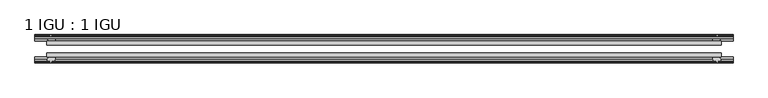
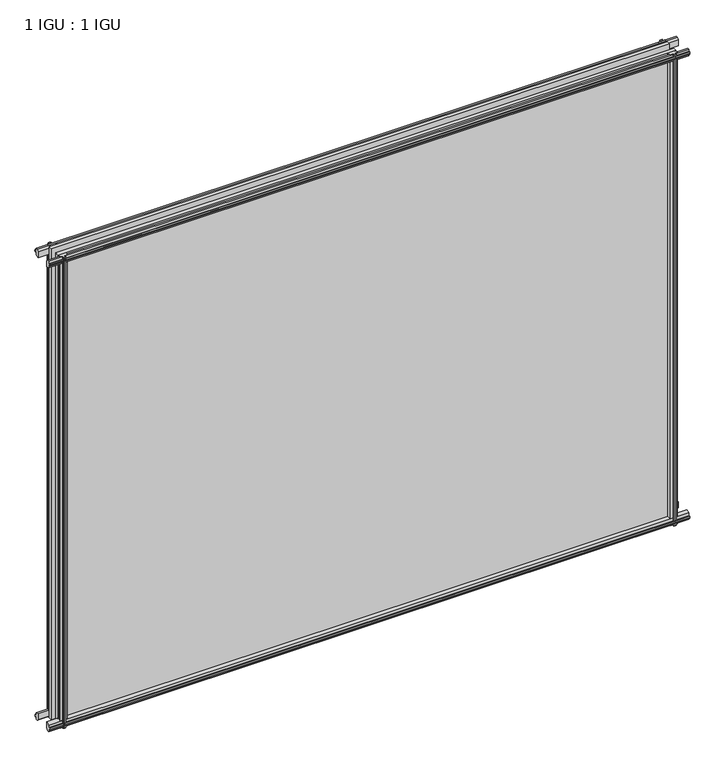
"""IFC4 building model written with IfcOpenShell, lengths in millimetres: plate geometry, 1 IGU : 1 IGU."""

from ifc_helpers import new_model, si_unit, frame, origin, place, context, project, spatial, polyline, outline, extrude, source, transform, mapped, element, save


def plate_1_igu_1_igu_553cbf8b(model_context):
    return source(origin(), model_context, "Body", "SweptSolid", [
        extrude(outline(polyline([(-536.1167269, -38.6468937), (536.1167269, -38.6468937), (536.1167269, -44.9460938), (-536.1167269, -44.9460938), (-536.1167269, -38.6468937)])), frame((0.0, 0.0, -12.7), z_axis=(0.0, 0.0, 1.0), x_axis=(1.0, 0.0, 0.0)), (0.0, 0.0, 1.0), 863.5999996),
        extrude(outline(polyline([(-536.1167269, -19.5460937), (536.1167269, -19.5460937), (536.1167269, -25.8960938), (-536.1167269, -25.8960938), (-536.1167269, -19.5460937)])), frame((0.0, 0.0, -12.7), z_axis=(0.0, 0.0, 1.0), x_axis=(1.0, 0.0, 0.0)), (0.0, 0.0, 1.0), 863.5999996),
        extrude(outline(polyline([(-44.9460937, 1.7177181), (-44.9460937, -9.1036578), (-48.3496937, -11.938), (-51.2960937, -11.938), (-51.2960937, -7.493), (-53.6762907, -7.112), (-53.2163575, -8.5275291), (-54.0175717, -8.5275291), (-54.7250937, -6.35), (-54.0175717, -4.1724709), (-53.2163575, -4.1724709), (-53.6762907, -5.588), (-51.2960937, -5.207), (-51.2960937, 0.0), (-44.9460937, 1.7177181)])), frame((-555.1667269, 0.0, 0.0), z_axis=(1.0, 0.0, 0.0), x_axis=(0.0, 1.0, 0.0)), (0.0, 0.0, 1.0), 1110.3334538),
        extrude(outline(polyline([(-13.1960937, -12.4587), (-16.1424937, -12.4587), (-19.5460937, -9.6243578), (-19.5460937, 1.1970181), (-13.1960937, -0.5207), (-13.1960937, -5.7277), (-10.8158968, -6.1087), (-11.27583, -4.6931709), (-10.4746158, -4.6931709), (-9.7670937, -6.8707), (-10.4746158, -9.0482291), (-11.27583, -9.0482291), (-10.8158968, -7.6327), (-13.1960937, -8.0137), (-13.1960937, -12.4587)])), frame((-555.1667269, 0.0, 0.0), z_axis=(1.0, 0.0, 0.0), x_axis=(0.0, 1.0, 0.0)), (0.0, 0.0, 1.0), 1110.3334538),
        extrude(outline(polyline([(-51.2960937, 850.1379996), (-48.3496937, 850.1379996), (-44.9460937, 847.3036575), (-44.9460937, 836.4822816), (-51.2960937, 838.1999996), (-51.2960937, 843.4069996), (-53.6762907, 843.7879996), (-53.2163575, 842.3724706), (-54.0175717, 842.3724706), (-54.7250937, 844.5499996), (-54.0175717, 846.7275287), (-53.2163575, 846.7275287), (-53.6762907, 845.3119996), (-51.2960937, 845.6929996), (-51.2960937, 850.1379996)])), frame((-555.1667269, 0.0, 0.0), z_axis=(1.0, 0.0, 0.0), x_axis=(0.0, 1.0, 0.0)), (0.0, 0.0, 1.0), 1110.3334538),
        extrude(outline(polyline([(-19.5460937, 837.0029816), (-19.5460937, 847.8243575), (-16.1424937, 850.6586996), (-13.1960937, 850.6586996), (-13.1960937, 846.2136996), (-10.8158968, 845.8326996), (-11.27583, 847.2482287), (-10.4746158, 847.2482287), (-9.7670937, 845.0706996), (-10.4746158, 842.8931706), (-11.27583, 842.8931706), (-10.8158968, 844.3086996), (-13.1960937, 843.9276996), (-13.1960937, 838.7206996), (-19.5460937, 837.0029816)])), frame((-555.1667269, 0.0, 0.0), z_axis=(1.0, 0.0, 0.0), x_axis=(0.0, 1.0, 0.0)), (0.0, 0.0, 1.0), 1110.3334538),
        extrude(outline(polyline([(522.2197088, -19.5460938), (523.9374269, -13.1960938), (529.1444269, -13.1960938), (529.5254269, -10.8158968), (528.1098978, -11.27583), (528.1098978, -10.4746158), (530.2874269, -9.7670938), (532.4649559, -10.4746158), (532.4649559, -11.27583), (531.0494269, -10.8158968), (531.4304269, -13.1960938), (535.8754269, -13.1960938), (535.8754269, -16.1424938), (533.0410847, -19.5460938), (522.2197088, -19.5460938)])), frame((0.0, 0.0, -12.7), z_axis=(0.0, 0.0, 1.0), x_axis=(1.0, 0.0, 0.0)), (0.0, 0.0, 1.0), 863.5999998),
        extrude(outline(polyline([(521.6990088, -44.9460938), (532.5203847, -44.9460938), (535.3547269, -48.3496938), (535.3547269, -51.2960938), (530.9097269, -51.2960938), (530.5287269, -53.6762907), (531.9442559, -53.2163575), (531.9442559, -54.0175717), (529.7667269, -54.7250938), (527.5891978, -54.0175717), (527.5891978, -53.2163575), (529.0047269, -53.6762907), (528.6237269, -51.2960938), (523.4167269, -51.2960938), (521.6990088, -44.9460938)])), frame((0.0, 0.0, -12.7), z_axis=(0.0, 0.0, 1.0), x_axis=(1.0, 0.0, 0.0)), (0.0, 0.0, 1.0), 863.5999998),
        extrude(outline(polyline([(-530.2874269, -9.7670937), (-528.1098978, -10.4746158), (-528.1098978, -11.27583), (-529.5254269, -10.8158968), (-529.1444269, -13.1960937), (-523.9374269, -13.1960937), (-522.2197088, -19.5460937), (-533.0410847, -19.5460937), (-535.8754269, -16.1424937), (-535.8754269, -13.1960937), (-531.4304269, -13.1960937), (-531.0494269, -10.8158968), (-532.4649559, -11.27583), (-532.4649559, -10.4746158), (-530.2874269, -9.7670937)])), frame((0.0, 0.0, -12.7), z_axis=(0.0, 0.0, 1.0), x_axis=(1.0, 0.0, 0.0)), (0.0, 0.0, 1.0), 863.5999998),
        extrude(outline(polyline([(-535.3547269, -48.3496937), (-532.5203847, -44.9460937), (-521.6990088, -44.9460937), (-523.4167269, -51.2960937), (-528.6237269, -51.2960937), (-529.0047269, -53.6762907), (-527.5891978, -53.2163575), (-527.5891978, -54.0175717), (-529.7667269, -54.7250937), (-531.9442559, -54.0175717), (-531.9442559, -53.2163575), (-530.5287269, -53.6762907), (-530.9097269, -51.2960937), (-535.3547269, -51.2960937), (-535.3547269, -48.3496937)])), frame((0.0, 0.0, -12.7), z_axis=(0.0, 0.0, 1.0), x_axis=(1.0, 0.0, 0.0)), (0.0, 0.0, 1.0), 863.5999998),
    ])


if __name__ == "__main__":
    model = new_model("IFC4")
    model_context = context("Model", 3, world=origin())
    ifc_project = project(units=[si_unit("LENGTHUNIT", "METRE", prefix="MILLI")], contexts=[model_context])
    site = spatial("IfcSite", under=ifc_project)
    building = spatial("IfcBuilding", under=site)
    placement = place(None, origin())
    plate_1_igu_1_igu_shape = plate_1_igu_1_igu_553cbf8b(model_context)
    element("IfcPlate", 1, ObjectType="1 IGU : 1 IGU", at=placement, inside=building, context=model_context, shape_type="MappedRepresentation", body=[
        mapped(plate_1_igu_1_igu_shape, transform((0.0, 0.0, 0.0), x_axis=(1.0, 0.0, 0.0), y_axis=(0.0, 1.0, 0.0), z_axis=(0.0, 0.0, 1.0))),
    ])
    save(model, "model.ifc")
